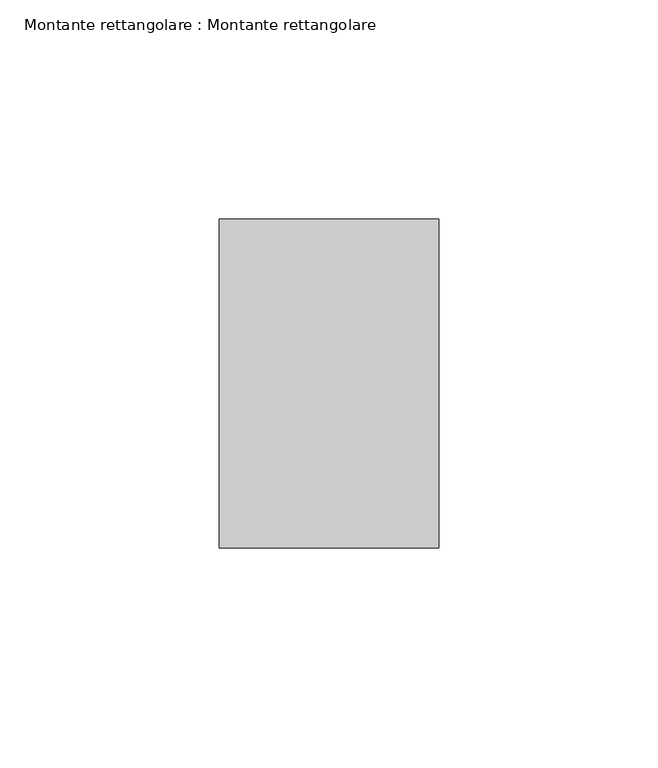
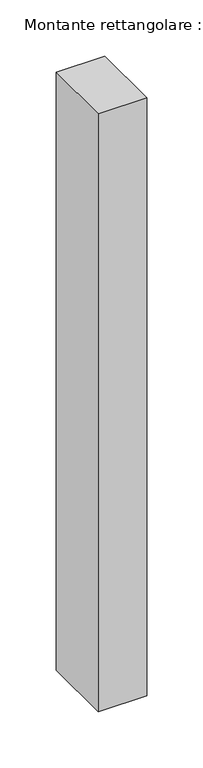
"""IFC4 building model written with IfcOpenShell, lengths in millimetres: member geometry, Montante rettangolare : Montante rettangolare."""

from ifc_helpers import new_model, si_unit, origin, place, context, project, spatial, faceted_brep, source, transform, mapped, element, save


def montante_rettangolare_montante_rettangolare_3d884e10(model_context):
    return source(origin(), model_context, "Body", "Brep", [
        faceted_brep([(0.0, 37.5, 0.0), (-50.0, 37.5, 0.0), (-50.0, -37.5, 0.0), (0.0, -37.5, 0.0), (0.0, 37.5, -651.5221002), (-50.0, 37.5, -651.5221002), (-50.0, -37.4007181, -651.2255273), (0.0, -37.5, -651.2251342)], [[[0, 1, 2, 3]], [[1, 0, 4, 5]], [[2, 1, 5, 6]], [[3, 2, 6, 7]], [[0, 3, 7, 4]], [[4, 7, 6, 5]]]),
    ])


if __name__ == "__main__":
    model = new_model("IFC4")
    model_context = context("Model", 3, world=origin())
    ifc_project = project(units=[si_unit("LENGTHUNIT", "METRE", prefix="MILLI")], contexts=[model_context])
    site = spatial("IfcSite", under=ifc_project)
    building = spatial("IfcBuilding", under=site)
    placement = place(None, origin())
    montante_rettangolare_montante_rettangolare_shape = montante_rettangolare_montante_rettangolare_3d884e10(model_context)
    element("IfcMember", 1, ObjectType="Montante rettangolare : Montante rettangolare", at=placement, inside=building, context=model_context, shape_type="MappedRepresentation", body=[
        mapped(montante_rettangolare_montante_rettangolare_shape, transform((0.0, 0.0, 0.0), x_axis=(1.0, 0.0, 0.0), y_axis=(0.0, 1.0, 0.0), z_axis=(0.0, 0.0, 1.0))),
    ])
    save(model, "model.ifc")
